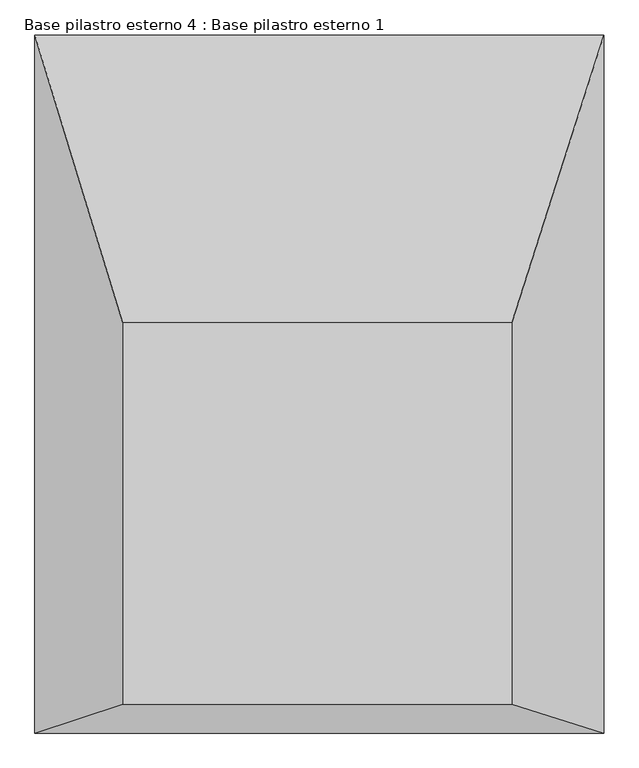
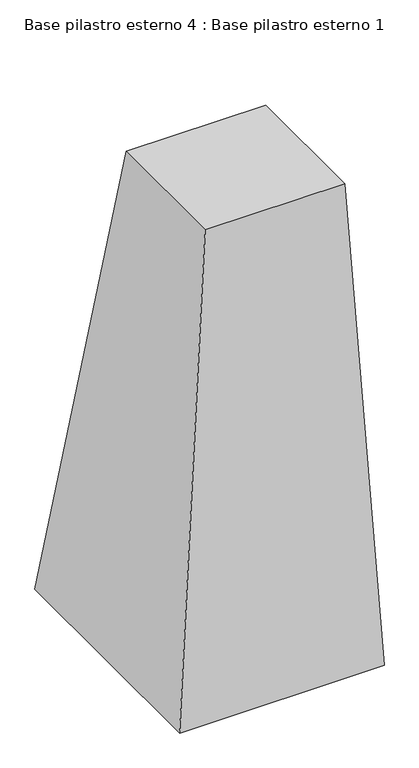
"""IFC4 building model written with IfcOpenShell, lengths in millimetres: column geometry, Base pilastro esterno 4 : Base pilastro esterno 1."""

from ifc_helpers import new_model, si_unit, origin, place, context, project, spatial, faceted_brep, source, transform, mapped, element, save


def base_pilastro_esterno_4_base_pilastro_esterno_1_c8f18432(model_context):
    return source(origin(), model_context, "Body", "Brep", [
        faceted_brep([(-86209.2953471, 123740.035984, -277.4358654), (-85606.3001413, 123740.035984, -277.4358654), (-85606.3001413, 124330.2918544, -277.4358654), (-86209.2953471, 124330.2918544, -277.4358654), (-86345.1815906, 123695.5650876, -2496.9800423), (-86345.1815906, 124776.1685911, -2496.9800423), (-85463.3329505, 124776.1685911, -2496.9800423), (-85463.3329505, 123695.5650876, -2496.9800423)], [[[0, 1, 2, 3]], [[4, 5, 6, 7]], [[4, 7, 1, 0]], [[7, 6, 2, 1]], [[6, 5, 3, 2]], [[5, 4, 0, 3]]]),
    ])


if __name__ == "__main__":
    model = new_model("IFC4")
    model_context = context("Model", 3, world=origin())
    ifc_project = project(units=[si_unit("LENGTHUNIT", "METRE", prefix="MILLI")], contexts=[model_context])
    site = spatial("IfcSite", under=ifc_project)
    building = spatial("IfcBuilding", under=site)
    placement = place(None, origin())
    base_pilastro_esterno_4_base_pilastro_esterno_1_shape = base_pilastro_esterno_4_base_pilastro_esterno_1_c8f18432(model_context)
    element("IfcColumn", 1, ObjectType="Base pilastro esterno 4 : Base pilastro esterno 1", at=placement, inside=building, context=model_context, shape_type="MappedRepresentation", body=[
        mapped(base_pilastro_esterno_4_base_pilastro_esterno_1_shape, transform((0.0, 0.0, 0.0), x_axis=(1.0, 0.0, 0.0), y_axis=(0.0, 1.0, 0.0), z_axis=(0.0, 0.0, 1.0))),
    ])
    save(model, "model.ifc")
